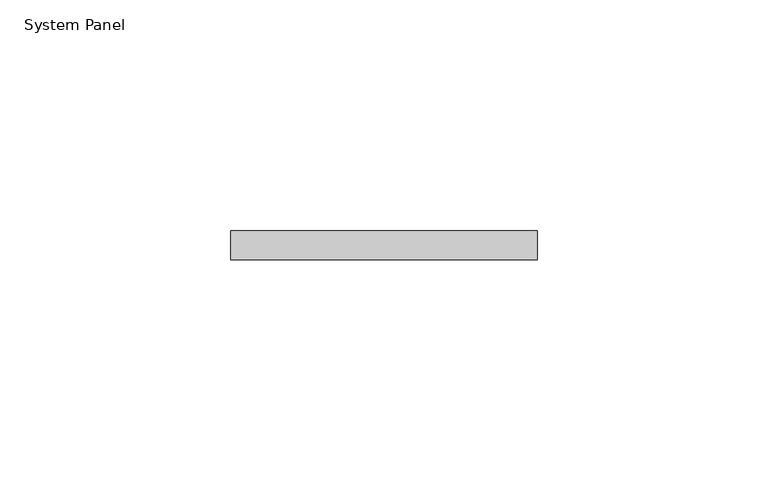
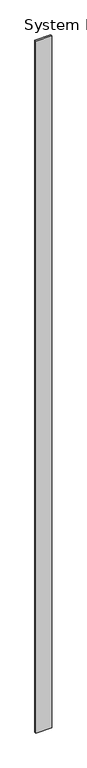
"""IFC4 building model written with IfcOpenShell, lengths in millimetres: plate geometry, System Panel."""

from ifc_helpers import new_model, si_unit, origin, origin_with_axes, place, context, project, spatial, polyline, outline, extrude, source, transform, mapped, element, save


def system_panel_92e93315(model_context):
    return source(origin(), model_context, "Body", "SweptSolid", [
        extrude(outline(polyline([(33.2536236, -6.35), (-33.2536236, -6.35), (-33.2536236, 0.0), (33.2536236, 0.0), (33.2536236, -6.35)])), origin_with_axes(), (0.0, 0.0, 1.0), 3048.0),
    ])


if __name__ == "__main__":
    model = new_model("IFC4")
    model_context = context("Model", 3, world=origin())
    ifc_project = project(units=[si_unit("LENGTHUNIT", "METRE", prefix="MILLI")], contexts=[model_context])
    site = spatial("IfcSite", under=ifc_project)
    building = spatial("IfcBuilding", under=site)
    placement = place(None, origin())
    system_panel_shape = system_panel_92e93315(model_context)
    element("IfcPlate", 1, ObjectType="System Panel", at=placement, inside=building, context=model_context, shape_type="MappedRepresentation", body=[
        mapped(system_panel_shape, transform((0.0, 0.0, 0.0), x_axis=(1.0, 0.0, 0.0), y_axis=(0.0, 1.0, 0.0), z_axis=(0.0, 0.0, 1.0))),
    ])
    save(model, "model.ifc")
